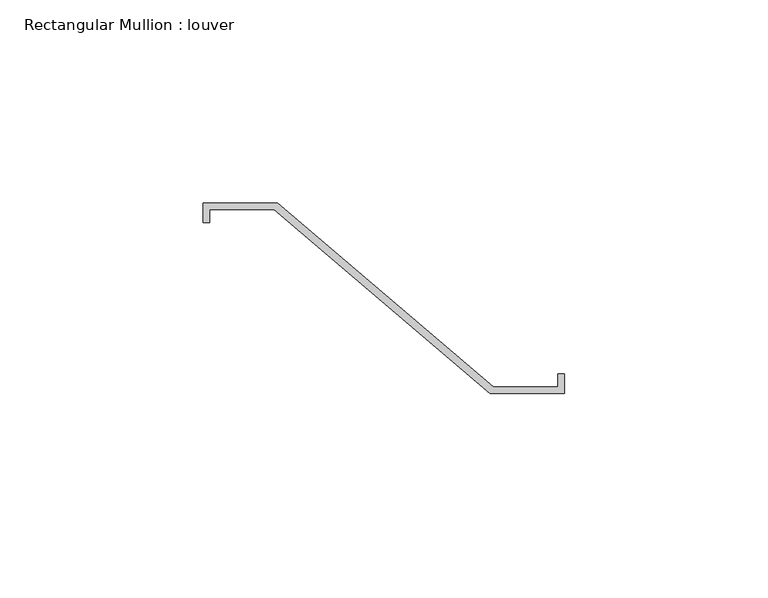
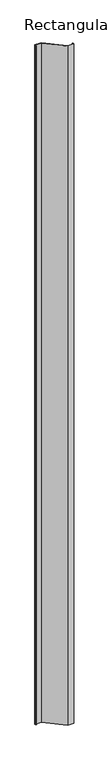
"""IFC4 building model written with IfcOpenShell, lengths in millimetres: member geometry, Rectangular Mullion : louver."""

from ifc_helpers import new_model, si_unit, frame, origin, place, context, project, spatial, polyline, outline, extrude, source, transform, mapped, element, save


def rectangular_mullion_louver_fe3e2dcb(model_context):
    return source(origin(), model_context, "Body", "SweptSolid", [
        extrude(outline(polyline([(-44.846875, 22.621875), (-26.590625, 22.621875), (26.590625, -22.621875), (42.465625, -22.621875), (42.465625, -19.446875), (44.053125, -19.446875), (44.053125, -24.209375), (25.796875, -24.209375), (-27.384375, 21.034375), (-43.259375, 21.034375), (-43.259375, 17.859375), (-44.846875, 17.859375), (-44.846875, 22.621875)])), frame((0.0, 0.0, -2133.6), z_axis=(0.0, 0.0, 1.0), x_axis=(1.0, 0.0, 0.0)), (0.0, 0.0, 1.0), 2133.6),
    ])


if __name__ == "__main__":
    model = new_model("IFC4")
    model_context = context("Model", 3, world=origin())
    ifc_project = project(units=[si_unit("LENGTHUNIT", "METRE", prefix="MILLI")], contexts=[model_context])
    site = spatial("IfcSite", under=ifc_project)
    building = spatial("IfcBuilding", under=site)
    placement = place(None, origin())
    rectangular_mullion_louver_shape = rectangular_mullion_louver_fe3e2dcb(model_context)
    element("IfcMember", 1, ObjectType="Rectangular Mullion : louver", at=placement, inside=building, context=model_context, shape_type="MappedRepresentation", body=[
        mapped(rectangular_mullion_louver_shape, transform((0.0, 0.0, 0.0), x_axis=(1.0, 0.0, 0.0), y_axis=(0.0, 1.0, 0.0), z_axis=(0.0, 0.0, 1.0))),
    ])
    save(model, "model.ifc")
